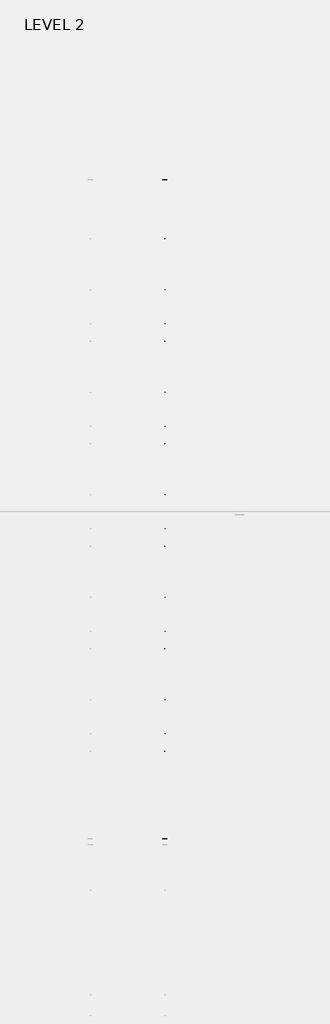
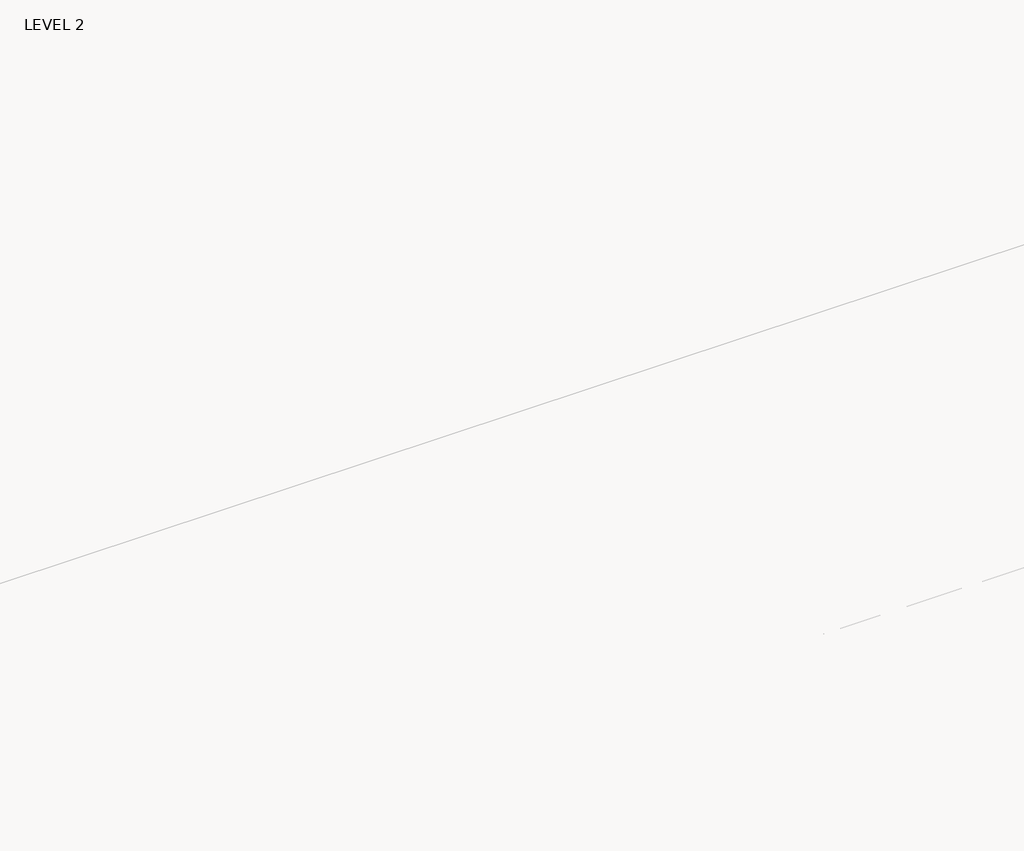
# One storey, part 28 of 67: 1 beam.
"""IFC4 building model written with IfcOpenShell, lengths in millimetres."""

from ifc_helpers import new_model, si_unit, frame, origin, place, context, project, spatial, polyline, outline, extrude, faceted_brep, element, save

model = new_model("IFC4")

# Units and contexts
model_context = context("Model", 3, world=origin())
ifc_project = project(units=[si_unit("LENGTHUNIT", "METRE", prefix="MILLI")], contexts=[model_context])

# Site, building, storey
site = spatial("IfcSite", under=ifc_project)
building = spatial("IfcBuilding", under=site)
storey = spatial("IfcBuildingStorey", under=building, Name="LEVEL 2", Elevation=6908.8)

# Beam
placement = place(None, origin())
element("IfcBeam", 1, ObjectType="K-Series Bar Joist-Angle Web : 20K3", at=placement, inside=storey, context=model_context, shape_type="SolidModel", body=[
    extrude(outline(polyline([(0.0, -9.525), (0.0, 0.0), (1028.0726482, 0.0), (1028.0726482, -9.525), (0.0, -9.525)])), frame((17505.2414942, 3035.5839205, 6301.58688), z_axis=(0.0, -0.4590612504427091, 0.8884046197212035), x_axis=(0.0, -0.8884046197212035, -0.4590612504427091)), (0.0, 0.0, 1.0), 9.525),
    extrude(outline(polyline([(0.0, -9.525), (0.0, 0.0), (1028.0726482, 0.0), (1028.0726482, -9.525), (0.0, -9.525)])), frame((17495.7164942, -8186.0164735, 6276.4352176), z_axis=(0.0, 0.45507418639266606, 0.8904535276358071), x_axis=(0.0, 0.8904535276358071, -0.45507418639266606)), (0.0, 0.0, 1.0), 9.525),
    extrude(outline(polyline([(4.7625, 4.7625), (4.7625, -4.7624999), (-4.7625, -4.7624999), (-4.7625, 4.7625), (4.7625, 4.7625)])), frame((17500.4789942, 2120.0531513, 5833.8695915), z_axis=(0.0, 0.5277744838731272, 0.8493845384585561), x_axis=(-1.0, 0.0, 0.0)), (0.0, 0.0, 1.0), 553.9970421),
    extrude(outline(polyline([(4.7625, 4.7625), (4.7625, -4.7625), (-4.7625, -4.7625), (-4.7625, 4.7625), (4.7625, 4.7625)])), frame((17500.4789942, -7268.3982664, 5812.8266786), z_axis=(0.0, -0.5315767175055621, 0.8470101495295153), x_axis=(-1.0, 0.0, 0.0)), (0.0, 0.0, 1.0), 553.9970421),
    extrude(outline(polyline([(0.0, 0.0), (31.75, 0.0), (31.75, -6.35), (6.35, -6.35), (6.35, -31.75), (0.0, -31.75), (0.0, 0.0)])), frame((17505.2414942, -7369.9837786, 5806.2489728), z_axis=(0.0, 0.9999974881589226, 0.002241355805181034), x_axis=(1.0, 0.0, 0.0)), (0.0, 0.0, 1.0), 9591.675),
    extrude(outline(polyline([(-9.525, 0.0), (-9.525, -31.75), (-15.875, -31.75), (-15.875, -6.35), (-41.275, -6.35), (-41.275, 0.0), (-9.525, 0.0)])), frame((17505.2414942, -7369.9837786, 5806.2489728), z_axis=(0.0, 0.9999974881589226, 0.002241355805181034), x_axis=(1.0, 0.0, 0.0)), (0.0, 0.0, 1.0), 9591.675),
    extrude(outline(polyline([(-31.75, 0.0), (0.0, 0.0), (0.0, -6.3500001), (-25.4, -6.3500001), (-25.4, -31.7500001), (-31.75, -31.7500001), (-31.75, 0.0)])), frame((17536.9914942, -8285.3777644, 6248.6983605), z_axis=(0.0, 0.9999974881589226, 0.002241355805181034), x_axis=(1.0, 0.0, 0.0)), (0.0, 0.0, 1.0), 101.6),
    extrude(outline(polyline([(-41.275, 0.0), (-41.275, -31.7500001), (-47.625, -31.7500001), (-47.625, -6.3500001), (-73.025, -6.3500001), (-73.025, 0.0), (-41.275, 0.0)])), frame((17536.9914942, -8285.3777644, 6248.6983605), z_axis=(0.0, 0.9999974881589226, 0.002241355805181034), x_axis=(1.0, 0.0, 0.0)), (0.0, 0.0, 1.0), 101.6),
    extrude(outline(polyline([(0.0, 0.0), (31.7500001, 0.0), (31.7500001, -6.35), (6.3500001, -6.35), (6.3500001, -31.75), (0.0, -31.75), (0.0, 0.0)])), frame((17495.7164942, 3033.4688044, 6274.0679867), z_axis=(0.0, 0.9999974881589226, 0.002241355805181034), x_axis=(0.0, -0.002241355805181034, 0.9999974881589226)), (0.0, 0.0, 1.0), 101.6),
    extrude(outline(polyline([(0.0, 41.275), (6.3500001, 41.275), (6.3500001, 15.875), (31.7500001, 15.875), (31.7500001, 9.525), (0.0, 9.525), (0.0, 41.275)])), frame((17495.7164942, 3033.4688044, 6274.0679867), z_axis=(0.0, 0.9999974881589226, 0.002241355805181034), x_axis=(0.0, -0.002241355805181034, 0.9999974881589226)), (0.0, 0.0, 1.0), 101.6),
    extrude(outline(polyline([(0.0, 0.0), (31.75, 0.0), (31.75, -6.35), (6.35, -6.35), (6.35, -31.75), (0.0, -31.75), (0.0, 0.0)])), frame((17505.2414942, -8285.5200905, 6312.198201), z_axis=(0.0, 0.9999974881589226, 0.002241355805181034), x_axis=(0.0, 0.002241355805181034, -0.9999974881589226)), (0.0, 0.0, 1.0), 11420.475),
    extrude(outline(polyline([(0.0, 9.525), (0.0, 41.275), (6.35, 41.275), (6.35, 15.875), (31.75, 15.875), (31.75, 9.525), (0.0, 9.525)])), frame((17505.2414942, -8285.5200905, 6312.198201), z_axis=(0.0, 0.9999974881589226, 0.002241355805181034), x_axis=(0.0, 0.002241355805181034, -0.9999974881589226)), (0.0, 0.0, 1.0), 11420.475),
    faceted_brep([(17500.4789942, 2120.0175697, 5849.7445517), (17500.4789942, 2120.0602676, 5830.6945995), (17495.7164942, 2120.0602676, 5830.6945995), (17495.7164942, 2120.0175697, 5849.7445517), (17500.4789942, 2119.1460678, 5849.7425983), (17500.4789942, 1837.3256415, 6331.7121491), (17500.4789942, 1819.1471913, 6331.6714046), (17500.4789942, 1819.1898891, 6312.6214525), (17500.4789942, 1826.4113751, 6312.6376384), (17500.4789942, 2108.2318014, 5830.6680876), (17495.7164942, 2108.2318014, 5830.6680876), (17495.7164942, 2087.8369021, 5865.547463), (17495.7164942, 2091.9481538, 5867.9514213), (17495.7164942, 1839.7930356, 6299.1873352), (17495.7164942, 1835.6817839, 6296.7833769), (17495.7164942, 1826.4113751, 6312.6376384), (17495.7164942, 1819.1898891, 6312.6214525), (17495.7164942, 1819.1471913, 6331.6714046), (17495.7164942, 1837.3256415, 6331.7121491), (17495.7164942, 2119.1460678, 5849.7425983), (17483.0164942, 1835.6817839, 6296.7833769), (17483.0164942, 2087.8369021, 5865.547463), (17483.0164942, 2091.9481538, 5867.9514213), (17483.0164942, 1839.7930356, 6299.1873352)], [[[0, 1, 2, 3]], [[1, 0, 4, 5, 6, 7, 8, 9]], [[2, 1, 9, 10]], [[3, 2, 10, 11, 12, 13, 14, 15, 16, 17, 18, 19]], [[0, 3, 19, 4]], [[9, 8, 15, 14, 20, 21, 11, 10]], [[5, 4, 19, 18]], [[7, 6, 17, 16]], [[8, 7, 16, 15]], [[6, 5, 18, 17]], [[21, 22, 12, 11]], [[20, 14, 13, 23]], [[22, 21, 20, 23]], [[12, 22, 23, 13]]]),
    extrude(outline(polyline([(1533.1828355, 5829.3791951), (1533.1401376, 5848.4291472), (1534.0116396, 5848.4311006), (1813.6687092, 6331.6591254), (1831.8471594, 6331.6998698), (1831.8898572, 6312.6499177), (1824.6683713, 6312.6337317), (1545.0113016, 5829.4057069), (1533.1828355, 5829.3791951)])), frame((17500.4789942, 0.0, 0.0), z_axis=(1.0, 0.0, 0.0), x_axis=(0.0, 1.0, 0.0)), (0.0, 0.0, 1.0), 4.7625),
    extrude(outline(polyline([(-4.7625, 4.7625), (-4.7625, 0.0), (-17.4625, 0.0), (-17.4625, 4.7625), (-4.7625, 4.7625)])), frame((17500.4789942, 1565.2496422, 5864.3761561), z_axis=(0.0, 0.5008933658556247, 0.865509004021231), x_axis=(-1.0, 0.0, 0.0)), (0.0, 0.0, 1.0), 499.5464113),
    faceted_brep([(17500.4789942, -6681.5564158, 5830.0170432), (17500.4789942, -6681.513718, 5810.967091), (17495.7164942, -6681.513718, 5810.967091), (17495.7164942, -6681.5564158, 5830.0170432), (17500.4789942, -6682.4279177, 5830.0150898), (17500.4789942, -6964.248344, 6311.9846406), (17500.4789942, -6982.4267942, 6311.9438961), (17500.4789942, -6982.3840964, 6292.893944), (17500.4789942, -6975.1626104, 6292.9101299), (17500.4789942, -6693.3421841, 5810.9405791), (17495.7164942, -6693.3421841, 5810.9405791), (17495.7164942, -6713.7370834, 5845.8199545), (17495.7164942, -6709.6258317, 5848.2239128), (17495.7164942, -6961.7809499, 6279.4598267), (17495.7164942, -6965.8922016, 6277.0558684), (17495.7164942, -6975.1626104, 6292.9101299), (17495.7164942, -6982.3840964, 6292.893944), (17495.7164942, -6982.4267942, 6311.9438961), (17495.7164942, -6964.248344, 6311.9846406), (17495.7164942, -6682.4279177, 5830.0150898), (17483.0164942, -6965.8922016, 6277.0558684), (17483.0164942, -6713.7370834, 5845.8199545), (17483.0164942, -6709.6258317, 5848.2239128), (17483.0164942, -6961.7809499, 6279.4598267)], [[[0, 1, 2, 3]], [[1, 0, 4, 5, 6, 7, 8, 9]], [[2, 1, 9, 10]], [[3, 2, 10, 11, 12, 13, 14, 15, 16, 17, 18, 19]], [[0, 3, 19, 4]], [[9, 8, 15, 14, 20, 21, 11, 10]], [[5, 4, 19, 18]], [[7, 6, 17, 16]], [[8, 7, 16, 15]], [[6, 5, 18, 17]], [[21, 22, 12, 11]], [[20, 14, 13, 23]], [[22, 21, 20, 23]], [[12, 22, 23, 13]]]),
    extrude(outline(polyline([(-7268.3911501, 5809.6516866), (-7268.4338479, 5828.7016387), (-7267.562346, 5828.7035921), (-6987.9052763, 6311.9316169), (-6969.7268261, 6311.9723613), (-6969.6841283, 6292.9224092), (-6976.9056143, 6292.9062232), (-7256.5626839, 5809.6781984), (-7268.3911501, 5809.6516866)])), frame((17500.4789942, 0.0, 0.0), z_axis=(1.0, 0.0, 0.0), x_axis=(0.0, 1.0, 0.0)), (0.0, 0.0, 1.0), 4.7625),
    extrude(outline(polyline([(-4.7625, 4.7625), (-4.7625, 0.0), (-17.4625, 0.0), (-17.4625, 4.7625), (-4.7625, 4.7625)])), frame((17500.4789942, -7236.3243434, 5844.6486476), z_axis=(0.0, 0.5008933658556247, 0.865509004021231), x_axis=(-1.0, 0.0, 0.0)), (0.0, 0.0, 1.0), 499.5464113),
    faceted_brep([(17500.4789942, 1533.2459707, 5848.4293844), (17500.4789942, 1533.2886685, 5829.3794323), (17495.7164942, 1533.2886685, 5829.3794323), (17495.7164942, 1533.2459707, 5848.4293844), (17500.4789942, 1532.3744688, 5848.4274311), (17500.4789942, 1250.5540425, 6330.3969819), (17500.4789942, 1232.3755923, 6330.3562374), (17500.4789942, 1232.4182901, 6311.3062852), (17500.4789942, 1239.6397761, 6311.3224712), (17500.4789942, 1521.4602024, 5829.3529204), (17495.7164942, 1521.4602024, 5829.3529204), (17495.7164942, 1501.0653031, 5864.2322958), (17495.7164942, 1505.1765548, 5866.6362541), (17495.7164942, 1253.0214366, 6297.872168), (17495.7164942, 1248.9101849, 6295.4682097), (17495.7164942, 1239.6397761, 6311.3224712), (17495.7164942, 1232.4182901, 6311.3062852), (17495.7164942, 1232.3755923, 6330.3562374), (17495.7164942, 1250.5540425, 6330.3969819), (17495.7164942, 1532.3744688, 5848.4274311), (17483.0164942, 1248.9101849, 6295.4682097), (17483.0164942, 1501.0653031, 5864.2322958), (17483.0164942, 1505.1765548, 5866.6362541), (17483.0164942, 1253.0214366, 6297.872168)], [[[0, 1, 2, 3]], [[1, 0, 4, 5, 6, 7, 8, 9]], [[2, 1, 9, 10]], [[3, 2, 10, 11, 12, 13, 14, 15, 16, 17, 18, 19]], [[0, 3, 19, 4]], [[9, 8, 15, 14, 20, 21, 11, 10]], [[5, 4, 19, 18]], [[7, 6, 17, 16]], [[8, 7, 16, 15]], [[6, 5, 18, 17]], [[21, 22, 12, 11]], [[20, 14, 13, 23]], [[22, 21, 20, 23]], [[12, 22, 23, 13]]]),
    extrude(outline(polyline([(946.4112364, 5828.0640278), (946.3685386, 5847.11398), (947.2400405, 5847.1159333), (1226.8971102, 6330.3439581), (1245.0755604, 6330.3847026), (1245.1182582, 6311.3347505), (1237.8967722, 6311.3185645), (958.2397026, 5828.0905397), (946.4112364, 5828.0640278)])), frame((17500.4789942, 0.0, 0.0), z_axis=(1.0, 0.0, 0.0), x_axis=(0.0, 1.0, 0.0)), (0.0, 0.0, 1.0), 4.7625),
    extrude(outline(polyline([(-4.7625, 4.7625), (-4.7625, 0.0), (-17.4625, 0.0), (-17.4625, 4.7625), (-4.7625, 4.7625)])), frame((17500.4789942, 978.4780432, 5863.0609889), z_axis=(0.0, 0.5008933658556247, 0.865509004021231), x_axis=(-1.0, 0.0, 0.0)), (0.0, 0.0, 1.0), 499.5464113),
    faceted_brep([(17500.4789942, 946.4743717, 5847.1142172), (17500.4789942, 946.5170695, 5828.064265), (17495.7164942, 946.5170695, 5828.064265), (17495.7164942, 946.4743717, 5847.1142172), (17500.4789942, 945.6028697, 5847.1122638), (17500.4789942, 663.7824435, 6329.0818146), (17500.4789942, 645.6039932, 6329.0410701), (17500.4789942, 645.6466911, 6309.991118), (17500.4789942, 652.8681771, 6310.007304), (17500.4789942, 934.6886033, 5828.0377532), (17495.7164942, 934.6886033, 5828.0377532), (17495.7164942, 914.2937041, 5862.9171286), (17495.7164942, 918.4049558, 5865.3210869), (17495.7164942, 666.2498375, 6296.5570007), (17495.7164942, 662.1385858, 6294.1530424), (17495.7164942, 652.8681771, 6310.007304), (17495.7164942, 645.6466911, 6309.991118), (17495.7164942, 645.6039932, 6329.0410701), (17495.7164942, 663.7824435, 6329.0818146), (17495.7164942, 945.6028697, 5847.1122638), (17483.0164942, 662.1385858, 6294.1530424), (17483.0164942, 914.2937041, 5862.9171286), (17483.0164942, 918.4049558, 5865.3210869), (17483.0164942, 666.2498375, 6296.5570007)], [[[0, 1, 2, 3]], [[1, 0, 4, 5, 6, 7, 8, 9]], [[2, 1, 9, 10]], [[3, 2, 10, 11, 12, 13, 14, 15, 16, 17, 18, 19]], [[0, 3, 19, 4]], [[9, 8, 15, 14, 20, 21, 11, 10]], [[5, 4, 19, 18]], [[7, 6, 17, 16]], [[8, 7, 16, 15]], [[6, 5, 18, 17]], [[21, 22, 12, 11]], [[20, 14, 13, 23]], [[22, 21, 20, 23]], [[12, 22, 23, 13]]]),
    extrude(outline(polyline([(359.6396374, 5826.7488606), (359.5969396, 5845.7988128), (360.4684415, 5845.8007661), (640.1255111, 6329.0287909), (658.3039613, 6329.0695354), (658.3466592, 6310.0195832), (651.1251732, 6310.0033973), (371.4681035, 5826.7753725), (359.6396374, 5826.7488606)])), frame((17500.4789942, 0.0, 0.0), z_axis=(1.0, 0.0, 0.0), x_axis=(0.0, 1.0, 0.0)), (0.0, 0.0, 1.0), 4.7625),
    extrude(outline(polyline([(-4.7625, 4.7625), (-4.7625, 0.0), (-17.4625, 0.0), (-17.4625, 4.7625), (-4.7625, 4.7625)])), frame((17500.4789942, 391.7064441, 5861.7458216), z_axis=(0.0, 0.5008933658556247, 0.865509004021231), x_axis=(-1.0, 0.0, 0.0)), (0.0, 0.0, 1.0), 499.5464113),
    faceted_brep([(17500.4789942, 359.7027726, 5845.79905), (17500.4789942, 359.7454705, 5826.7490978), (17495.7164942, 359.7454705, 5826.7490978), (17495.7164942, 359.7027726, 5845.79905), (17500.4789942, 358.8312707, 5845.7970966), (17500.4789942, 77.0108444, 6327.7666474), (17500.4789942, 58.8323942, 6327.7259029), (17500.4789942, 58.875092, 6308.6759508), (17500.4789942, 66.096578, 6308.6921367), (17500.4789942, 347.9170043, 5826.7225859), (17495.7164942, 347.9170043, 5826.7225859), (17495.7164942, 327.522105, 5861.6019613), (17495.7164942, 331.6333567, 5864.0059196), (17495.7164942, 79.4782385, 6295.2418335), (17495.7164942, 75.3669868, 6292.8378752), (17495.7164942, 66.096578, 6308.6921367), (17495.7164942, 58.875092, 6308.6759508), (17495.7164942, 58.8323942, 6327.7259029), (17495.7164942, 77.0108444, 6327.7666474), (17495.7164942, 358.8312707, 5845.7970966), (17483.0164942, 75.3669868, 6292.8378752), (17483.0164942, 327.522105, 5861.6019613), (17483.0164942, 331.6333567, 5864.0059196), (17483.0164942, 79.4782385, 6295.2418335)], [[[0, 1, 2, 3]], [[1, 0, 4, 5, 6, 7, 8, 9]], [[2, 1, 9, 10]], [[3, 2, 10, 11, 12, 13, 14, 15, 16, 17, 18, 19]], [[0, 3, 19, 4]], [[9, 8, 15, 14, 20, 21, 11, 10]], [[5, 4, 19, 18]], [[7, 6, 17, 16]], [[8, 7, 16, 15]], [[6, 5, 18, 17]], [[21, 22, 12, 11]], [[20, 14, 13, 23]], [[22, 21, 20, 23]], [[12, 22, 23, 13]]]),
    extrude(outline(polyline([(-227.1319616, 5825.4336934), (-227.1746595, 5844.4836455), (-226.3031575, 5844.4855989), (53.3539121, 6327.7136237), (71.5323623, 6327.7543681), (71.5750601, 6308.704416), (64.3535742, 6308.68823), (-215.3034955, 5825.4602052), (-227.1319616, 5825.4336934)])), frame((17500.4789942, 0.0, 0.0), z_axis=(1.0, 0.0, 0.0), x_axis=(0.0, 1.0, 0.0)), (0.0, 0.0, 1.0), 4.7625),
    extrude(outline(polyline([(-4.7625, 4.7625001), (-4.7625, 0.0), (-17.4625, 0.0), (-17.4625, 4.7625001), (-4.7625, 4.7625001)])), frame((17500.4789942, -195.0651549, 5860.4306544), z_axis=(0.0, 0.5008933658556247, 0.865509004021231), x_axis=(-1.0, 0.0, 0.0)), (0.0, 0.0, 1.0), 499.5464113),
    faceted_brep([(17500.4789942, -527.896507, 6307.3607835), (17500.4789942, -527.9392048, 6326.4107357), (17495.7164942, -527.9392048, 6326.4107357), (17495.7164942, -527.896507, 6307.3607835), (17500.4789942, -520.675021, 6307.3769695), (17495.7164942, -520.675021, 6307.3769695), (17483.0164942, -255.1382423, 5862.6907524), (17483.0164942, -259.249494, 5860.2867941), (17483.0164942, -511.4046122, 6291.522708), (17483.0164942, -507.2933605, 6293.9266663), (17500.4789942, -227.0688264, 5844.4838827), (17500.4789942, -227.0261286, 5825.4339306), (17495.7164942, -227.0261286, 5825.4339306), (17495.7164942, -227.0688264, 5844.4838827), (17500.4789942, -227.9403283, 5844.4819294), (17500.4789942, -509.7607546, 6326.4514802), (17500.4789942, -238.8545947, 5825.4074187), (17495.7164942, -238.8545947, 5825.4074187), (17495.7164942, -259.249494, 5860.2867941), (17495.7164942, -255.1382423, 5862.6907524), (17495.7164942, -507.2933605, 6293.9266663), (17495.7164942, -511.4046122, 6291.522708), (17495.7164942, -509.7607546, 6326.4514802), (17495.7164942, -227.9403283, 5844.4819294)], [[[0, 1, 2, 3]], [[4, 0, 3, 5]], [[6, 7, 8, 9]], [[10, 11, 12, 13]], [[11, 10, 14, 15, 1, 0, 4, 16]], [[12, 11, 16, 17]], [[13, 12, 17, 18, 19, 20, 21, 5, 3, 2, 22, 23]], [[10, 13, 23, 14]], [[16, 4, 5, 21, 8, 7, 18, 17]], [[15, 14, 23, 22]], [[1, 15, 22, 2]], [[7, 6, 19, 18]], [[8, 21, 20, 9]], [[19, 6, 9, 20]]]),
    extrude(outline(polyline([(-813.9035607, 5824.1185261), (-813.9462585, 5843.1684783), (-813.0747566, 5843.1704316), (-533.4176869, 6326.3984564), (-515.2392367, 6326.4392009), (-515.1965389, 6307.3892488), (-522.4180249, 6307.3730628), (-802.0750945, 5824.145038), (-813.9035607, 5824.1185261)])), frame((17500.4789942, 0.0, 0.0), z_axis=(1.0, 0.0, 0.0), x_axis=(0.0, 1.0, 0.0)), (0.0, 0.0, 1.0), 4.7625),
    extrude(outline(polyline([(-4.7625, 4.7624999), (-4.7625, 0.0), (-17.4625, 0.0), (-17.4625, 4.7624999), (-4.7625, 4.7624999)])), frame((17500.4789942, -781.836754, 5859.1154872), z_axis=(0.0, 0.5008933658556247, 0.865509004021231), x_axis=(-1.0, 0.0, 0.0)), (0.0, 0.0, 1.0), 499.5464113),
    faceted_brep([(17500.4789942, -1114.668106, 6306.0456163), (17500.4789942, -1114.7108039, 6325.0955684), (17495.7164942, -1114.7108039, 6325.0955684), (17495.7164942, -1114.668106, 6306.0456163), (17500.4789942, -1107.44662, 6306.0618023), (17495.7164942, -1107.44662, 6306.0618023), (17483.0164942, -841.9098413, 5861.3755852), (17483.0164942, -846.021093, 5858.9716269), (17483.0164942, -1098.1762113, 6290.2075407), (17483.0164942, -1094.0649596, 6292.611499), (17500.4789942, -813.8404254, 5843.1687155), (17500.4789942, -813.7977276, 5824.1187633), (17495.7164942, -813.7977276, 5824.1187633), (17495.7164942, -813.8404254, 5843.1687155), (17500.4789942, -814.7119274, 5843.1667621), (17500.4789942, -1096.5323536, 6325.1363129), (17500.4789942, -825.6261938, 5824.0922515), (17495.7164942, -825.6261938, 5824.0922515), (17495.7164942, -846.021093, 5858.9716269), (17495.7164942, -841.9098413, 5861.3755852), (17495.7164942, -1094.0649596, 6292.611499), (17495.7164942, -1098.1762113, 6290.2075407), (17495.7164942, -1096.5323536, 6325.1363129), (17495.7164942, -814.7119274, 5843.1667621)], [[[0, 1, 2, 3]], [[4, 0, 3, 5]], [[6, 7, 8, 9]], [[10, 11, 12, 13]], [[11, 10, 14, 15, 1, 0, 4, 16]], [[12, 11, 16, 17]], [[13, 12, 17, 18, 19, 20, 21, 5, 3, 2, 22, 23]], [[10, 13, 23, 14]], [[16, 4, 5, 21, 8, 7, 18, 17]], [[15, 14, 23, 22]], [[1, 15, 22, 2]], [[7, 6, 19, 18]], [[8, 21, 20, 9]], [[19, 6, 9, 20]]]),
    extrude(outline(polyline([(-1400.6751597, 5822.8033589), (-1400.7178575, 5841.8533111), (-1399.8463556, 5841.8552644), (-1120.189286, 6325.0832892), (-1102.0108358, 6325.1240337), (-1101.9681379, 6306.0740815), (-1109.1896239, 6306.0578956), (-1388.8466936, 5822.8298708), (-1400.6751597, 5822.8033589)])), frame((17500.4789942, 0.0, 0.0), z_axis=(1.0, 0.0, 0.0), x_axis=(0.0, 1.0, 0.0)), (0.0, 0.0, 1.0), 4.7625),
    extrude(outline(polyline([(-4.7625, 4.7625), (-4.7625, 0.0), (-17.4625, 0.0), (-17.4625, 4.7625), (-4.7625, 4.7625)])), frame((17500.4789942, -1368.608353, 5857.8003199), z_axis=(0.0, 0.5008933658556247, 0.865509004021231), x_axis=(-1.0, 0.0, 0.0)), (0.0, 0.0, 1.0), 499.5464113),
    faceted_brep([(17500.4789942, -1701.4397051, 6304.7304491), (17500.4789942, -1701.4824029, 6323.7804012), (17495.7164942, -1701.4824029, 6323.7804012), (17495.7164942, -1701.4397051, 6304.7304491), (17500.4789942, -1694.2182191, 6304.746635), (17495.7164942, -1694.2182191, 6304.746635), (17483.0164942, -1428.6814404, 5860.0604179), (17483.0164942, -1432.7926921, 5857.6564596), (17483.0164942, -1684.9478103, 6288.8923735), (17483.0164942, -1680.8365586, 6291.2963318), (17500.4789942, -1400.6120245, 5841.8535483), (17500.4789942, -1400.5693267, 5822.8035961), (17495.7164942, -1400.5693267, 5822.8035961), (17495.7164942, -1400.6120245, 5841.8535483), (17500.4789942, -1401.4835264, 5841.8515949), (17500.4789942, -1683.3039527, 6323.8211457), (17500.4789942, -1412.3977928, 5822.7770842), (17495.7164942, -1412.3977928, 5822.7770842), (17495.7164942, -1432.7926921, 5857.6564596), (17495.7164942, -1428.6814404, 5860.0604179), (17495.7164942, -1680.8365586, 6291.2963318), (17495.7164942, -1684.9478103, 6288.8923735), (17495.7164942, -1683.3039527, 6323.8211457), (17495.7164942, -1401.4835264, 5841.8515949)], [[[0, 1, 2, 3]], [[4, 0, 3, 5]], [[6, 7, 8, 9]], [[10, 11, 12, 13]], [[11, 10, 14, 15, 1, 0, 4, 16]], [[12, 11, 16, 17]], [[13, 12, 17, 18, 19, 20, 21, 5, 3, 2, 22, 23]], [[10, 13, 23, 14]], [[16, 4, 5, 21, 8, 7, 18, 17]], [[15, 14, 23, 22]], [[1, 15, 22, 2]], [[7, 6, 19, 18]], [[8, 21, 20, 9]], [[19, 6, 9, 20]]]),
    extrude(outline(polyline([(-1987.4467588, 5821.4881917), (-1987.4894566, 5840.5381438), (-1986.6179546, 5840.5400972), (-1706.960885, 6323.768122), (-1688.7824348, 6323.8088664), (-1688.739737, 6304.7589143), (-1695.961223, 6304.7427283), (-1975.6182926, 5821.5147035), (-1987.4467588, 5821.4881917)])), frame((17500.4789942, 0.0, 0.0), z_axis=(1.0, 0.0, 0.0), x_axis=(0.0, 1.0, 0.0)), (0.0, 0.0, 1.0), 4.7625),
    extrude(outline(polyline([(-4.7625, 4.7625001), (-4.7625, 0.0), (-17.4625, 0.0), (-17.4625, 4.7625001), (-4.7625, 4.7625001)])), frame((17500.4789942, -1955.379952, 5856.4851527), z_axis=(0.0, 0.5008933658556247, 0.865509004021231), x_axis=(-1.0, 0.0, 0.0)), (0.0, 0.0, 1.0), 499.5464113),
    faceted_brep([(17500.4789942, -2288.2113041, 6303.4152818), (17500.4789942, -2288.2540019, 6322.465234), (17495.7164942, -2288.2540019, 6322.465234), (17495.7164942, -2288.2113041, 6303.4152818), (17500.4789942, -2280.9898181, 6303.4314678), (17495.7164942, -2280.9898181, 6303.4314678), (17483.0164942, -2015.4530394, 5858.7452507), (17483.0164942, -2019.5642911, 5856.3412924), (17483.0164942, -2271.7194094, 6287.5772063), (17483.0164942, -2267.6081576, 6289.9811646), (17500.4789942, -1987.3836235, 5840.538381), (17500.4789942, -1987.3409257, 5821.4884289), (17495.7164942, -1987.3409257, 5821.4884289), (17495.7164942, -1987.3836235, 5840.538381), (17500.4789942, -1988.2551255, 5840.5364277), (17500.4789942, -2270.0755517, 6322.5059785), (17500.4789942, -1999.1693919, 5821.461917), (17495.7164942, -1999.1693919, 5821.461917), (17495.7164942, -2019.5642911, 5856.3412924), (17495.7164942, -2015.4530394, 5858.7452507), (17495.7164942, -2267.6081576, 6289.9811646), (17495.7164942, -2271.7194094, 6287.5772063), (17495.7164942, -2270.0755517, 6322.5059785), (17495.7164942, -1988.2551255, 5840.5364277)], [[[0, 1, 2, 3]], [[4, 0, 3, 5]], [[6, 7, 8, 9]], [[10, 11, 12, 13]], [[11, 10, 14, 15, 1, 0, 4, 16]], [[12, 11, 16, 17]], [[13, 12, 17, 18, 19, 20, 21, 5, 3, 2, 22, 23]], [[10, 13, 23, 14]], [[16, 4, 5, 21, 8, 7, 18, 17]], [[15, 14, 23, 22]], [[1, 15, 22, 2]], [[7, 6, 19, 18]], [[8, 21, 20, 9]], [[19, 6, 9, 20]]]),
    extrude(outline(polyline([(-2574.2183578, 5820.1730244), (-2574.2610556, 5839.2229766), (-2573.3895537, 5839.2249299), (-2293.732484, 6322.4529547), (-2275.5540338, 6322.4936992), (-2275.511336, 6303.4437471), (-2282.732822, 6303.4275611), (-2562.3898916, 5820.1995363), (-2574.2183578, 5820.1730244)])), frame((17500.4789942, 0.0, 0.0), z_axis=(1.0, 0.0, 0.0), x_axis=(0.0, 1.0, 0.0)), (0.0, 0.0, 1.0), 4.7625),
    extrude(outline(polyline([(-4.7625, 4.7624999), (-4.7625, 0.0), (-17.4625, 0.0), (-17.4625, 4.7624999), (-4.7625, 4.7624999)])), frame((17500.4789942, -2542.1515511, 5855.1699855), z_axis=(0.0, 0.5008933658556247, 0.865509004021231), x_axis=(-1.0, 0.0, 0.0)), (0.0, 0.0, 1.0), 499.5464113),
    faceted_brep([(17500.4789942, -2574.1552226, 5839.2232138), (17500.4789942, -2574.1125247, 5820.1732616), (17495.7164942, -2574.1125247, 5820.1732616), (17495.7164942, -2574.1552226, 5839.2232138), (17500.4789942, -2575.0267245, 5839.2212604), (17500.4789942, -2856.8471508, 6321.1908112), (17500.4789942, -2875.025601, 6321.1500667), (17500.4789942, -2874.9829031, 6302.1001146), (17500.4789942, -2867.7614172, 6302.1163006), (17500.4789942, -2585.9409909, 5820.1467498), (17495.7164942, -2585.9409909, 5820.1467498), (17495.7164942, -2606.3358902, 5855.0261252), (17495.7164942, -2602.2246384, 5857.4300835), (17495.7164942, -2854.3797567, 6288.6659973), (17495.7164942, -2858.4910084, 6286.262039), (17495.7164942, -2867.7614172, 6302.1163006), (17495.7164942, -2874.9829031, 6302.1001146), (17495.7164942, -2875.025601, 6321.1500667), (17495.7164942, -2856.8471508, 6321.1908112), (17495.7164942, -2575.0267245, 5839.2212604), (17483.0164942, -2858.4910084, 6286.262039), (17483.0164942, -2606.3358902, 5855.0261252), (17483.0164942, -2602.2246384, 5857.4300835), (17483.0164942, -2854.3797567, 6288.6659973)], [[[0, 1, 2, 3]], [[1, 0, 4, 5, 6, 7, 8, 9]], [[2, 1, 9, 10]], [[3, 2, 10, 11, 12, 13, 14, 15, 16, 17, 18, 19]], [[0, 3, 19, 4]], [[9, 8, 15, 14, 20, 21, 11, 10]], [[5, 4, 19, 18]], [[7, 6, 17, 16]], [[8, 7, 16, 15]], [[6, 5, 18, 17]], [[21, 22, 12, 11]], [[20, 14, 13, 23]], [[22, 21, 20, 23]], [[12, 22, 23, 13]]]),
    extrude(outline(polyline([(-3160.9899568, 5818.8578572), (-3161.0326547, 5837.9078094), (-3160.1611527, 5837.9097627), (-2880.5040831, 6321.1377875), (-2862.3256329, 6321.178532), (-2862.282935, 6302.1285798), (-2869.504421, 6302.1123939), (-3149.1614907, 5818.8843691), (-3160.9899568, 5818.8578572)])), frame((17500.4789942, 0.0, 0.0), z_axis=(1.0, 0.0, 0.0), x_axis=(0.0, 1.0, 0.0)), (0.0, 0.0, 1.0), 4.7625),
    extrude(outline(polyline([(-4.7625, 4.7625), (-4.7625, 0.0), (-17.4625, 0.0), (-17.4625, 4.7625), (-4.7625, 4.7625)])), frame((17500.4789942, -3128.9231501, 5853.8548182), z_axis=(0.0, 0.5008933658556247, 0.865509004021231), x_axis=(-1.0, 0.0, 0.0)), (0.0, 0.0, 1.0), 499.5464113),
    faceted_brep([(17500.4789942, -3160.9268216, 5837.9080466), (17500.4789942, -3160.8841238, 5818.8580944), (17495.7164942, -3160.8841238, 5818.8580944), (17495.7164942, -3160.9268216, 5837.9080466), (17500.4789942, -3161.7983235, 5837.9060932), (17500.4789942, -3443.6187498, 6319.875644), (17500.4789942, -3461.7972, 6319.8348995), (17500.4789942, -3461.7545022, 6300.7849474), (17500.4789942, -3454.5330162, 6300.8011333), (17500.4789942, -3172.7125899, 5818.8315825), (17495.7164942, -3172.7125899, 5818.8315825), (17495.7164942, -3193.1074892, 5853.7109579), (17495.7164942, -3188.9962375, 5856.1149162), (17495.7164942, -3441.1513557, 6287.3508301), (17495.7164942, -3445.2626074, 6284.9468718), (17495.7164942, -3454.5330162, 6300.8011333), (17495.7164942, -3461.7545022, 6300.7849474), (17495.7164942, -3461.7972, 6319.8348995), (17495.7164942, -3443.6187498, 6319.875644), (17495.7164942, -3161.7983235, 5837.9060932), (17483.0164942, -3445.2626074, 6284.9468718), (17483.0164942, -3193.1074892, 5853.7109579), (17483.0164942, -3188.9962375, 5856.1149162), (17483.0164942, -3441.1513557, 6287.3508301)], [[[0, 1, 2, 3]], [[1, 0, 4, 5, 6, 7, 8, 9]], [[2, 1, 9, 10]], [[3, 2, 10, 11, 12, 13, 14, 15, 16, 17, 18, 19]], [[0, 3, 19, 4]], [[9, 8, 15, 14, 20, 21, 11, 10]], [[5, 4, 19, 18]], [[7, 6, 17, 16]], [[8, 7, 16, 15]], [[6, 5, 18, 17]], [[21, 22, 12, 11]], [[20, 14, 13, 23]], [[22, 21, 20, 23]], [[12, 22, 23, 13]]]),
    extrude(outline(polyline([(-3747.7615559, 5817.54269), (-3747.8042537, 5836.5926421), (-3746.9327518, 5836.5945955), (-3467.2756821, 6319.8226203), (-3449.0972319, 6319.8633647), (-3449.0545341, 6300.8134126), (-3456.2760201, 6300.7972266), (-3735.9330897, 5817.5692018), (-3747.7615559, 5817.54269)])), frame((17500.4789942, 0.0, 0.0), z_axis=(1.0, 0.0, 0.0), x_axis=(0.0, 1.0, 0.0)), (0.0, 0.0, 1.0), 4.7625),
    extrude(outline(polyline([(-4.7625, 4.7625001), (-4.7625, 0.0), (-17.4625, 0.0), (-17.4625, 4.7625001), (-4.7625, 4.7625001)])), frame((17500.4789942, -3715.6947491, 5852.539651), z_axis=(0.0, 0.5008933658556247, 0.865509004021231), x_axis=(-1.0, 0.0, 0.0)), (0.0, 0.0, 1.0), 499.5464113),
    faceted_brep([(17500.4789942, -3747.6984206, 5836.5928793), (17500.4789942, -3747.6557228, 5817.5429272), (17495.7164942, -3747.6557228, 5817.5429272), (17495.7164942, -3747.6984206, 5836.5928793), (17500.4789942, -3748.5699226, 5836.590926), (17500.4789942, -4030.3903488, 6318.5604768), (17500.4789942, -4048.568799, 6318.5197323), (17500.4789942, -4048.5261012, 6299.4697801), (17500.4789942, -4041.3046152, 6299.4859661), (17500.4789942, -3759.484189, 5817.5164153), (17495.7164942, -3759.484189, 5817.5164153), (17495.7164942, -3779.8790882, 5852.3957907), (17495.7164942, -3775.7678365, 5854.799749), (17495.7164942, -4027.9229547, 6286.0356629), (17495.7164942, -4032.0342065, 6283.6317046), (17495.7164942, -4041.3046152, 6299.4859661), (17495.7164942, -4048.5261012, 6299.4697801), (17495.7164942, -4048.568799, 6318.5197323), (17495.7164942, -4030.3903488, 6318.5604768), (17495.7164942, -3748.5699226, 5836.590926), (17483.0164942, -4032.0342065, 6283.6317046), (17483.0164942, -3779.8790882, 5852.3957907), (17483.0164942, -3775.7678365, 5854.799749), (17483.0164942, -4027.9229547, 6286.0356629)], [[[0, 1, 2, 3]], [[1, 0, 4, 5, 6, 7, 8, 9]], [[2, 1, 9, 10]], [[3, 2, 10, 11, 12, 13, 14, 15, 16, 17, 18, 19]], [[0, 3, 19, 4]], [[9, 8, 15, 14, 20, 21, 11, 10]], [[5, 4, 19, 18]], [[7, 6, 17, 16]], [[8, 7, 16, 15]], [[6, 5, 18, 17]], [[21, 22, 12, 11]], [[20, 14, 13, 23]], [[22, 21, 20, 23]], [[12, 22, 23, 13]]]),
    extrude(outline(polyline([(-4334.5331549, 5816.2275227), (-4334.5758527, 5835.2774749), (-4333.7043508, 5835.2794282), (-4054.0472812, 6318.507453), (-4035.8688309, 6318.5481975), (-4035.8261331, 6299.4982454), (-4043.0476191, 6299.4820594), (-4322.7046887, 5816.2540346), (-4334.5331549, 5816.2275227)])), frame((17500.4789942, 0.0, 0.0), z_axis=(1.0, 0.0, 0.0), x_axis=(0.0, 1.0, 0.0)), (0.0, 0.0, 1.0), 4.7625),
    extrude(outline(polyline([(-4.7625, 4.7624999), (-4.7625, 0.0), (-17.4625, 0.0), (-17.4625, 4.7624999), (-4.7625, 4.7624999)])), frame((17500.4789942, -4302.4663482, 5851.2244838), z_axis=(0.0, 0.5008933658556247, 0.865509004021231), x_axis=(-1.0, 0.0, 0.0)), (0.0, 0.0, 1.0), 499.5464113),
    faceted_brep([(17500.4789942, -4334.4700197, 5835.2777121), (17500.4789942, -4334.4273218, 5816.2277599), (17495.7164942, -4334.4273218, 5816.2277599), (17495.7164942, -4334.4700197, 5835.2777121), (17500.4789942, -4335.3415216, 5835.2757587), (17500.4789942, -4617.1619479, 6317.2453095), (17500.4789942, -4635.3403981, 6317.204565), (17500.4789942, -4635.2977002, 6298.1546129), (17500.4789942, -4628.0762143, 6298.1707989), (17500.4789942, -4346.255788, 5816.2012481), (17495.7164942, -4346.255788, 5816.2012481), (17495.7164942, -4366.6506873, 5851.0806235), (17495.7164942, -4362.5394355, 5853.4845818), (17495.7164942, -4614.6945538, 6284.7204956), (17495.7164942, -4618.8058055, 6282.3165373), (17495.7164942, -4628.0762143, 6298.1707989), (17495.7164942, -4635.2977002, 6298.1546129), (17495.7164942, -4635.3403981, 6317.204565), (17495.7164942, -4617.1619479, 6317.2453095), (17495.7164942, -4335.3415216, 5835.2757587), (17483.0164942, -4618.8058055, 6282.3165373), (17483.0164942, -4366.6506873, 5851.0806235), (17483.0164942, -4362.5394355, 5853.4845818), (17483.0164942, -4614.6945538, 6284.7204956)], [[[0, 1, 2, 3]], [[1, 0, 4, 5, 6, 7, 8, 9]], [[2, 1, 9, 10]], [[3, 2, 10, 11, 12, 13, 14, 15, 16, 17, 18, 19]], [[0, 3, 19, 4]], [[9, 8, 15, 14, 20, 21, 11, 10]], [[5, 4, 19, 18]], [[7, 6, 17, 16]], [[8, 7, 16, 15]], [[6, 5, 18, 17]], [[21, 22, 12, 11]], [[20, 14, 13, 23]], [[22, 21, 20, 23]], [[12, 22, 23, 13]]]),
    extrude(outline(polyline([(-4921.3047539, 5814.9123555), (-4921.3474518, 5833.9623077), (-4920.4759498, 5833.964261), (-4640.8188802, 6317.1922858), (-4622.64043, 6317.2330303), (-4622.5977321, 6298.1830781), (-4629.8192181, 6298.1668922), (-4909.4762878, 5814.9388674), (-4921.3047539, 5814.9123555)])), frame((17500.4789942, 0.0, 0.0), z_axis=(1.0, 0.0, 0.0), x_axis=(0.0, 1.0, 0.0)), (0.0, 0.0, 1.0), 4.7625),
    extrude(outline(polyline([(-4.7625, 4.7625), (-4.7625, 0.0), (-17.4625, 0.0), (-17.4625, 4.7625), (-4.7625, 4.7625)])), frame((17500.4789942, -4889.2379472, 5849.9093165), z_axis=(0.0, 0.5008933658556247, 0.865509004021231), x_axis=(-1.0, 0.0, 0.0)), (0.0, 0.0, 1.0), 499.5464113),
    faceted_brep([(17500.4789942, -4921.2416187, 5833.9625449), (17500.4789942, -4921.1989209, 5814.9125927), (17495.7164942, -4921.1989209, 5814.9125927), (17495.7164942, -4921.2416187, 5833.9625449), (17500.4789942, -4922.1131206, 5833.9605915), (17500.4789942, -5203.9335469, 6315.9301423), (17500.4789942, -5222.1119971, 6315.8893978), (17500.4789942, -5222.0692993, 6296.8394457), (17500.4789942, -5214.8478133, 6296.8556316), (17500.4789942, -4933.027387, 5814.8860808), (17495.7164942, -4933.027387, 5814.8860808), (17495.7164942, -4953.4222863, 5849.7654562), (17495.7164942, -4949.3110346, 5852.1694145), (17495.7164942, -5201.4661528, 6283.4053284), (17495.7164942, -5205.5774045, 6281.0013701), (17495.7164942, -5214.8478133, 6296.8556316), (17495.7164942, -5222.0692993, 6296.8394457), (17495.7164942, -5222.1119971, 6315.8893978), (17495.7164942, -5203.9335469, 6315.9301423), (17495.7164942, -4922.1131206, 5833.9605915), (17483.0164942, -5205.5774045, 6281.0013701), (17483.0164942, -4953.4222863, 5849.7654562), (17483.0164942, -4949.3110346, 5852.1694145), (17483.0164942, -5201.4661528, 6283.4053284)], [[[0, 1, 2, 3]], [[1, 0, 4, 5, 6, 7, 8, 9]], [[2, 1, 9, 10]], [[3, 2, 10, 11, 12, 13, 14, 15, 16, 17, 18, 19]], [[0, 3, 19, 4]], [[9, 8, 15, 14, 20, 21, 11, 10]], [[5, 4, 19, 18]], [[7, 6, 17, 16]], [[8, 7, 16, 15]], [[6, 5, 18, 17]], [[21, 22, 12, 11]], [[20, 14, 13, 23]], [[22, 21, 20, 23]], [[12, 22, 23, 13]]]),
    extrude(outline(polyline([(-5508.076353, 5813.5971883), (-5508.1190508, 5832.6471404), (-5507.2475489, 5832.6490938), (-5227.5904792, 6315.8771186), (-5209.412029, 6315.917863), (-5209.3693312, 6296.8679109), (-5216.5908172, 6296.8517249), (-5496.2478868, 5813.6237001), (-5508.076353, 5813.5971883)])), frame((17500.4789942, 0.0, 0.0), z_axis=(1.0, 0.0, 0.0), x_axis=(0.0, 1.0, 0.0)), (0.0, 0.0, 1.0), 4.7625),
    extrude(outline(polyline([(-4.7625, 4.7625001), (-4.7625, 0.0), (-17.4625, 0.0), (-17.4625, 4.7625001), (-4.7625, 4.7625001)])), frame((17500.4789942, -5476.0095462, 5848.5941493), z_axis=(0.0, 0.5008933658556247, 0.865509004021231), x_axis=(-1.0, 0.0, 0.0)), (0.0, 0.0, 1.0), 499.5464113),
    faceted_brep([(17500.4789942, -5508.0132177, 5832.6473776), (17500.4789942, -5507.9705199, 5813.5974255), (17495.7164942, -5507.9705199, 5813.5974255), (17495.7164942, -5508.0132177, 5832.6473776), (17500.4789942, -5508.8847197, 5832.6454243), (17500.4789942, -5790.7051459, 6314.6149751), (17500.4789942, -5808.8835961, 6314.5742306), (17500.4789942, -5808.8408983, 6295.5242784), (17500.4789942, -5801.6194123, 6295.5404644), (17500.4789942, -5519.7989861, 5813.5709136), (17495.7164942, -5519.7989861, 5813.5709136), (17495.7164942, -5540.1938853, 5848.450289), (17495.7164942, -5536.0826336, 5850.8542473), (17495.7164942, -5788.2377519, 6282.0901612), (17495.7164942, -5792.3490036, 6279.6862029), (17495.7164942, -5801.6194123, 6295.5404644), (17495.7164942, -5808.8408983, 6295.5242784), (17495.7164942, -5808.8835961, 6314.5742306), (17495.7164942, -5790.7051459, 6314.6149751), (17495.7164942, -5508.8847197, 5832.6454243), (17483.0164942, -5792.3490036, 6279.6862029), (17483.0164942, -5540.1938853, 5848.450289), (17483.0164942, -5536.0826336, 5850.8542473), (17483.0164942, -5788.2377519, 6282.0901612)], [[[0, 1, 2, 3]], [[1, 0, 4, 5, 6, 7, 8, 9]], [[2, 1, 9, 10]], [[3, 2, 10, 11, 12, 13, 14, 15, 16, 17, 18, 19]], [[0, 3, 19, 4]], [[9, 8, 15, 14, 20, 21, 11, 10]], [[5, 4, 19, 18]], [[7, 6, 17, 16]], [[8, 7, 16, 15]], [[6, 5, 18, 17]], [[21, 22, 12, 11]], [[20, 14, 13, 23]], [[22, 21, 20, 23]], [[12, 22, 23, 13]]]),
    extrude(outline(polyline([(-6094.847952, 5812.282021), (-6094.8906498, 5831.3319732), (-6094.0191479, 5831.3339265), (-5814.3620783, 6314.5619513), (-5796.183628, 6314.6026958), (-5796.1409302, 6295.5527437), (-5803.3624162, 6295.5365577), (-6083.0194858, 5812.3085329), (-6094.847952, 5812.282021)])), frame((17500.4789942, 0.0, 0.0), z_axis=(1.0, 0.0, 0.0), x_axis=(0.0, 1.0, 0.0)), (0.0, 0.0, 1.0), 4.7625),
    extrude(outline(polyline([(-4.7625, 4.7624999), (-4.7625, 0.0), (-17.4625, 0.0), (-17.4625, 4.7624999), (-4.7625, 4.7624999)])), frame((17500.4789942, -6062.7811453, 5847.2789821), z_axis=(0.0, 0.5008933658556247, 0.865509004021231), x_axis=(-1.0, 0.0, 0.0)), (0.0, 0.0, 1.0), 499.5464113),
    faceted_brep([(17500.4789942, -6094.7848168, 5831.3322104), (17500.4789942, -6094.7421189, 5812.2822582), (17495.7164942, -6094.7421189, 5812.2822582), (17495.7164942, -6094.7848168, 5831.3322104), (17500.4789942, -6095.6563187, 5831.330257), (17500.4789942, -6377.476745, 6313.2998078), (17500.4789942, -6395.6551952, 6313.2590633), (17500.4789942, -6395.6124974, 6294.2091112), (17500.4789942, -6388.3910114, 6294.2252972), (17500.4789942, -6106.5705851, 5812.2557464), (17495.7164942, -6106.5705851, 5812.2557464), (17495.7164942, -6126.9654844, 5847.1351218), (17495.7164942, -6122.8542327, 5849.5390801), (17495.7164942, -6375.0093509, 6280.7749939), (17495.7164942, -6379.1206026, 6278.3710356), (17495.7164942, -6388.3910114, 6294.2252972), (17495.7164942, -6395.6124974, 6294.2091112), (17495.7164942, -6395.6551952, 6313.2590633), (17495.7164942, -6377.476745, 6313.2998078), (17495.7164942, -6095.6563187, 5831.330257), (17483.0164942, -6379.1206026, 6278.3710356), (17483.0164942, -6126.9654844, 5847.1351218), (17483.0164942, -6122.8542327, 5849.5390801), (17483.0164942, -6375.0093509, 6280.7749939)], [[[0, 1, 2, 3]], [[1, 0, 4, 5, 6, 7, 8, 9]], [[2, 1, 9, 10]], [[3, 2, 10, 11, 12, 13, 14, 15, 16, 17, 18, 19]], [[0, 3, 19, 4]], [[9, 8, 15, 14, 20, 21, 11, 10]], [[5, 4, 19, 18]], [[7, 6, 17, 16]], [[8, 7, 16, 15]], [[6, 5, 18, 17]], [[21, 22, 12, 11]], [[20, 14, 13, 23]], [[22, 21, 20, 23]], [[12, 22, 23, 13]]]),
    extrude(outline(polyline([(-6681.619551, 5810.9668538), (-6681.6622489, 5830.016806), (-6680.7907469, 5830.0187593), (-6401.1336773, 6313.2467841), (-6382.9552271, 6313.2875286), (-6382.9125293, 6294.2375764), (-6390.1340152, 6294.2213905), (-6669.7910849, 5810.9933657), (-6681.619551, 5810.9668538)])), frame((17500.4789942, 0.0, 0.0), z_axis=(1.0, 0.0, 0.0), x_axis=(0.0, 1.0, 0.0)), (0.0, 0.0, 1.0), 4.7625),
    extrude(outline(polyline([(-4.7625, 4.7625), (-4.7625, 0.0), (-17.4625, 0.0), (-17.4625, 4.7625), (-4.7625, 4.7625)])), frame((17500.4789942, -6649.5527443, 5845.9638148), z_axis=(0.0, 0.5008933658556247, 0.865509004021231), x_axis=(-1.0, 0.0, 0.0)), (0.0, 0.0, 1.0), 499.5464113),
])

save(model, "model.ifc")
